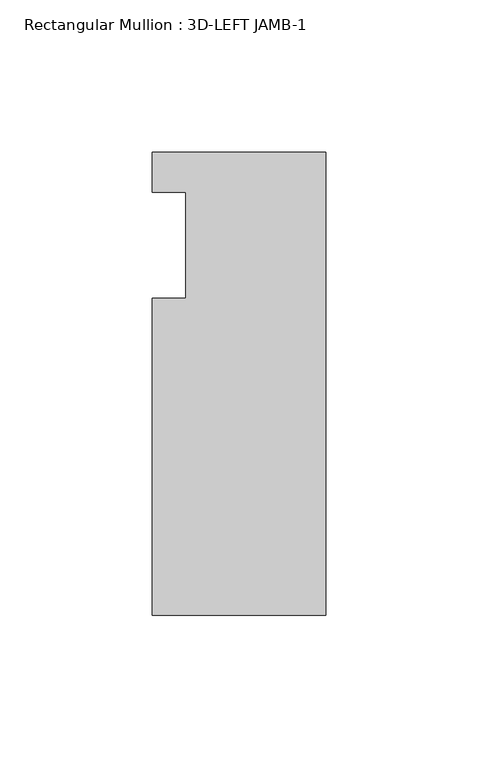
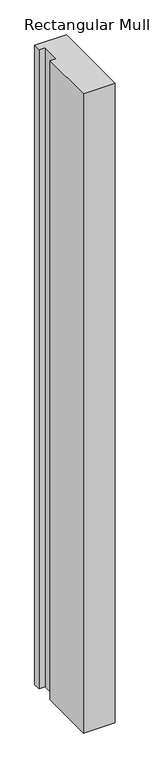
"""IFC4 building model written with IfcOpenShell, lengths in millimetres: member geometry, Rectangular Mullion : 3D-LEFT JAMB-1."""

from ifc_helpers import new_model, si_unit, frame, origin, place, context, project, spatial, polyline, outline, extrude, source, transform, mapped, element, save


def rectangular_mullion_3d_left_jamb_1_d3e50171(model_context):
    return source(origin(), model_context, "Body", "SweptSolid", [
        extrude(outline(polyline([(0.0, -76.2), (-57.15, -76.2), (-57.15, 28.0416), (-46.0375, 28.0416), (-46.0375, 63.0047), (-57.15, 63.0047), (-57.15, 76.2), (0.0, 76.2), (0.0, -76.2)])), frame((0.0, 0.0, -1219.2), z_axis=(0.0, 0.0, 1.0), x_axis=(1.0, 0.0, 0.0)), (0.0, 0.0, 1.0), 1219.2),
    ])


if __name__ == "__main__":
    model = new_model("IFC4")
    model_context = context("Model", 3, world=origin())
    ifc_project = project(units=[si_unit("LENGTHUNIT", "METRE", prefix="MILLI")], contexts=[model_context])
    site = spatial("IfcSite", under=ifc_project)
    building = spatial("IfcBuilding", under=site)
    placement = place(None, origin())
    rectangular_mullion_3d_left_jamb_1_shape = rectangular_mullion_3d_left_jamb_1_d3e50171(model_context)
    element("IfcMember", 1, ObjectType="Rectangular Mullion : 3D-LEFT JAMB-1", at=placement, inside=building, context=model_context, shape_type="MappedRepresentation", body=[
        mapped(rectangular_mullion_3d_left_jamb_1_shape, transform((0.0, 0.0, 0.0), x_axis=(1.0, 0.0, 0.0), y_axis=(0.0, 1.0, 0.0), z_axis=(0.0, 0.0, 1.0))),
    ])
    save(model, "model.ifc")
